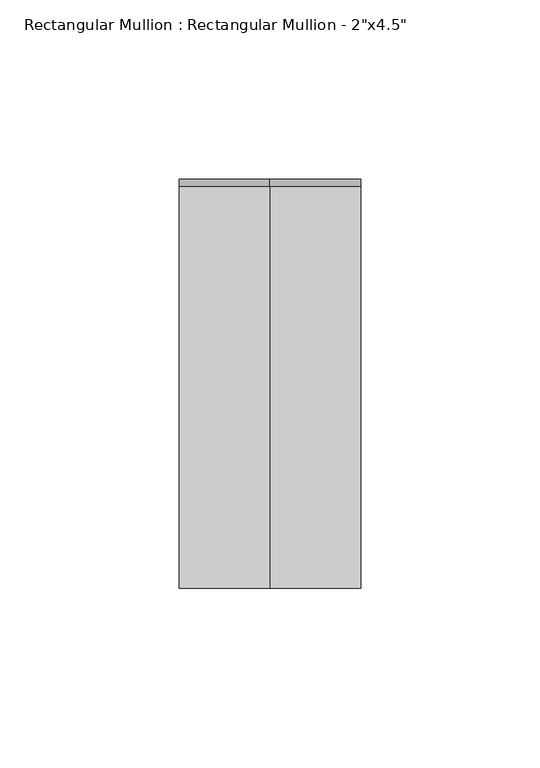
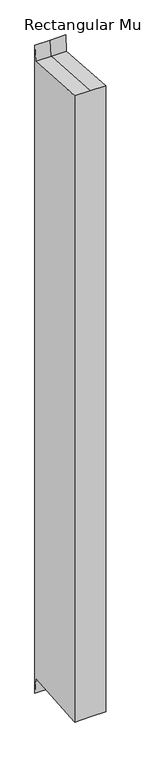
"""IFC4 building model written with IfcOpenShell, lengths in millimetres: member geometry."""

from ifc_helpers import new_model, si_unit, origin, place, context, project, spatial, faceted_brep, source, transform, mapped, element, save


def member_104862b2(model_context):
    return source(origin(), model_context, "Body", "Brep", [
        faceted_brep([(-25.4, 57.15, 23.3210511), (0.0, 57.15, 23.3210511), (25.4, 57.15, 23.3210511), (25.4, 57.15, -1109.3567242), (0.0, 57.15, -1109.3567242), (-25.4, 57.15, -1109.3567242), (-25.4, -57.15, 4.096095), (-25.4, 55.1534353, -4.0852687), (-25.4, 55.1534353, -1081.9504044), (-25.4, -57.15, -1090.1317681), (25.4, -57.15, 4.096095), (0.0, -57.15, 4.096095), (0.0, -57.15, -1090.1317681), (25.4, -57.15, -1090.1317681), (25.4, 55.1534353, -4.0852687), (25.4, 55.1534353, -1081.9504044), (0.0, 55.1534353, -4.0852687), (0.0, 55.1534353, -1081.9504044)], [[[0, 1, 2, 3, 4, 5]], [[6, 7, 0, 5, 8, 9]], [[10, 11, 6, 9, 12, 13]], [[2, 14, 10, 13, 15, 3]], [[2, 1, 16, 14]], [[1, 0, 7, 16]], [[7, 6, 11, 16]], [[11, 10, 14, 16]], [[3, 15, 17, 4]], [[15, 13, 12, 17]], [[12, 9, 8, 17]], [[8, 5, 4, 17]]]),
    ])


if __name__ == "__main__":
    model = new_model("IFC4")
    model_context = context("Model", 3, world=origin())
    ifc_project = project(units=[si_unit("LENGTHUNIT", "METRE", prefix="MILLI")], contexts=[model_context])
    site = spatial("IfcSite", under=ifc_project)
    building = spatial("IfcBuilding", under=site)
    placement = place(None, origin())
    member_shape = member_104862b2(model_context)
    element("IfcMember", 1, ObjectType="Rectangular Mullion : Rectangular Mullion - 2\"x4.5\"", at=placement, inside=building, context=model_context, shape_type="MappedRepresentation", body=[
        mapped(member_shape, transform((0.0, 0.0, 0.0), x_axis=(1.0, 0.0, 0.0), y_axis=(0.0, 1.0, 0.0), z_axis=(0.0, 0.0, 1.0))),
    ])
    save(model, "model.ifc")
